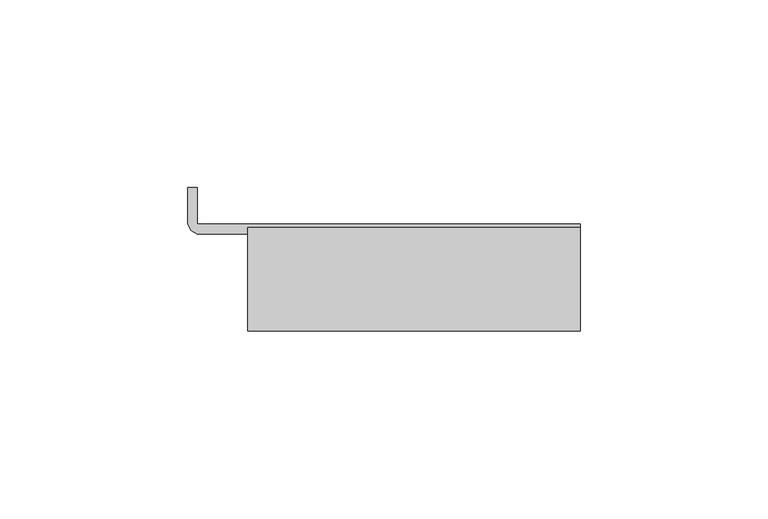
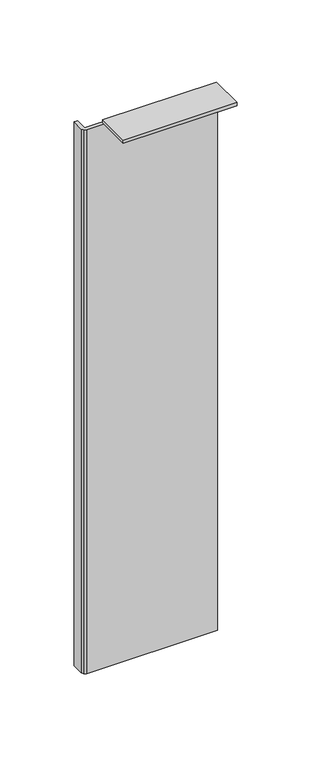
"""IFC4 building model written with IfcOpenShell, lengths in millimetres: furniture geometry."""

from ifc_helpers import new_model, si_unit, frame, origin, place, context, project, spatial, polyline, outline, extrude, source, transform, mapped, element, save


def furniture_e25ea733(model_context):
    return source(origin(), model_context, "Body", "SweptSolid", [
        extrude(outline(polyline([(17.6910997, -28.5245557), (17.6910997, -0.8912181), (106.362503, -0.8912181), (106.362503, -28.5245557), (17.6910997, -28.5245557)])), frame((0.0, 0.0, 549.7830116), z_axis=(0.0, 0.0, 1.0), x_axis=(1.0, 0.0, 0.0)), (0.0, 0.0, 1.0), 2.6415902),
        extrude(outline(polyline([(4.2291001, 9.8548445), (4.2291001, 0.0), (106.362503, 0.0), (106.362503, -2.5911558), (4.2291001, -2.5911558), (2.5291621, -1.6494938), (1.5875, 0.0504441), (1.5875, 9.8548445), (4.2291001, 9.8548445)])), frame((0.0, 0.0, 101.9174982), z_axis=(0.0, 0.0, 1.0), x_axis=(1.0, 0.0, 0.0)), (0.0, 0.0, 1.0), 447.8655134),
    ])


if __name__ == "__main__":
    model = new_model("IFC4")
    model_context = context("Model", 3, world=origin())
    ifc_project = project(units=[si_unit("LENGTHUNIT", "METRE", prefix="MILLI")], contexts=[model_context])
    site = spatial("IfcSite", under=ifc_project)
    building = spatial("IfcBuilding", under=site)
    placement = place(None, origin())
    furniture_shape = furniture_e25ea733(model_context)
    element("IfcFurniture", 1, at=placement, inside=building, context=model_context, shape_type="MappedRepresentation", body=[
        mapped(furniture_shape, transform((0.0, 0.0, 0.0), x_axis=(1.0, 0.0, 0.0), y_axis=(0.0, 1.0, 0.0), z_axis=(0.0, 0.0, 1.0))),
    ])
    save(model, "model.ifc")
